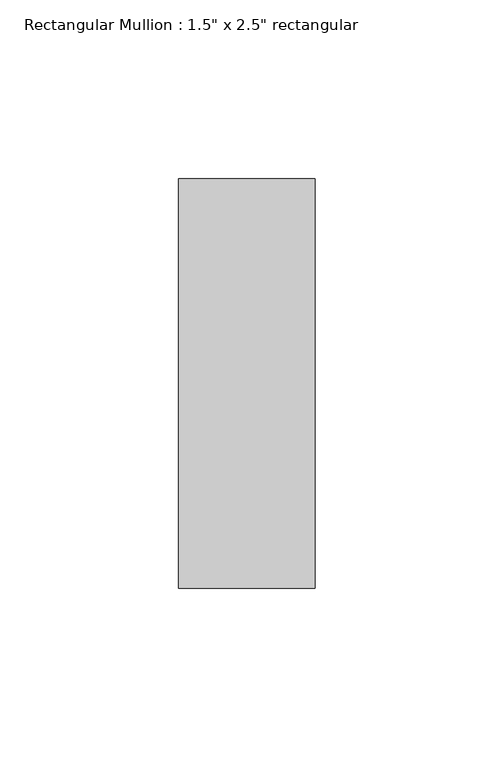
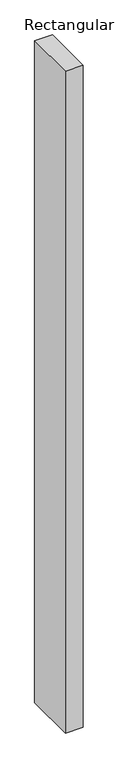
"""IFC4 building model written with IfcOpenShell, lengths in millimetres: member geometry."""

from ifc_helpers import new_model, si_unit, frame, origin, place, context, project, spatial, polyline, outline, extrude, source, transform, mapped, element, save


def member_c395a2ed(model_context):
    return source(origin(), model_context, "Body", "SweptSolid", [
        extrude(outline(polyline([(0.0, 57.15), (0.0, -57.15), (-38.1, -57.15), (-38.1, 57.15), (0.0, 57.15)])), frame((0.0, 0.0, -1504.95), z_axis=(0.0, 0.0, 1.0), x_axis=(1.0, 0.0, 0.0)), (0.0, 0.0, 1.0), 1504.95),
    ])


if __name__ == "__main__":
    model = new_model("IFC4")
    model_context = context("Model", 3, world=origin())
    ifc_project = project(units=[si_unit("LENGTHUNIT", "METRE", prefix="MILLI")], contexts=[model_context])
    site = spatial("IfcSite", under=ifc_project)
    building = spatial("IfcBuilding", under=site)
    placement = place(None, origin())
    member_shape = member_c395a2ed(model_context)
    element("IfcMember", 1, ObjectType="Rectangular Mullion : 1.5\" x 2.5\" rectangular", at=placement, inside=building, context=model_context, shape_type="MappedRepresentation", body=[
        mapped(member_shape, transform((0.0, 0.0, 0.0), x_axis=(1.0, 0.0, 0.0), y_axis=(0.0, 1.0, 0.0), z_axis=(0.0, 0.0, 1.0))),
    ])
    save(model, "model.ifc")
